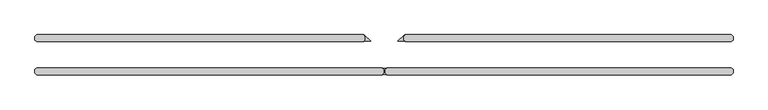
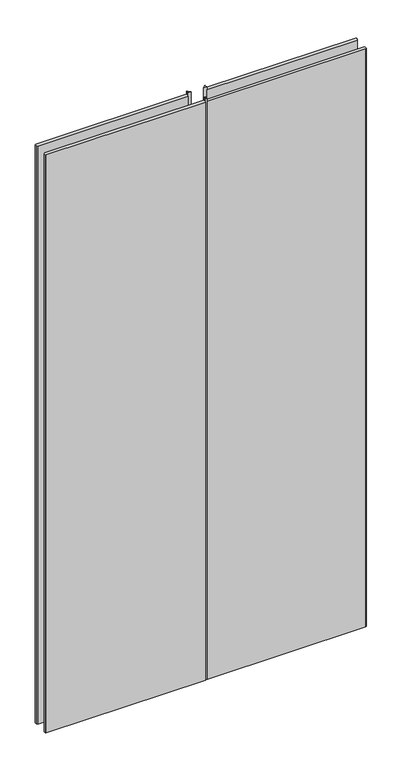
"""IFC4 building model written with IfcOpenShell, lengths in millimetres: plate geometry."""

from ifc_helpers import new_model, si_unit, frame, origin, place, context, project, spatial, polyline, outline, extrude, source, transform, mapped, element, save


def plate_1cb64498(model_context):
    return source(origin(), model_context, "Body", "SweptSolid", [
        extrude(outline(polyline([(35.253782, 26.9875), (37.635032, 24.60625), (25.4, 24.60625), (37.1160051, 36.3222551), (37.6772711, 35.7609891), (35.253782, 33.3375), (35.253782, 26.9875)])), frame((0.0, 0.0, 6.35), z_axis=(0.0, 0.0, 1.0), x_axis=(1.0, 0.0, 0.0)), (0.0, 0.0, 1.0), 2422.4289267),
        extrude(outline(polyline([(-631.03125, 23.8125), (-634.20625, 26.9875), (-634.20625, 33.3375), (-631.03125, 36.5125), (-36.841282, 36.5125), (-33.666282, 33.3375), (-33.666282, 26.9875), (-36.841282, 23.8125), (-631.03125, 23.8125)])), frame((0.0, 0.0, 6.35), z_axis=(0.0, 0.0, 1.0), x_axis=(1.0, 0.0, 0.0)), (0.0, 0.0, 1.0), 2409.7289267),
        extrude(outline(polyline([(-33.666282, 26.9875), (-33.666282, 33.3375), (-36.0897711, 35.7609891), (-35.5285051, 36.3222551), (-23.8125, 24.60625), (-36.047532, 24.60625), (-33.666282, 26.9875)])), frame((0.0, 0.0, 6.35), z_axis=(0.0, 0.0, 1.0), x_axis=(1.0, 0.0, 0.0)), (0.0, 0.0, 1.0), 2422.4289267),
        extrude(outline(polyline([(-631.03125, -36.5125), (-634.20625, -33.3375), (-634.20625, -26.9875), (-631.03125, -23.8125), (-3.175, -23.8125), (0.0, -26.9875), (0.0, -33.3375), (-3.175, -36.5125), (-631.03125, -36.5125)])), frame((0.0, 0.0, 6.35), z_axis=(0.0, 0.0, 1.0), x_axis=(1.0, 0.0, 0.0)), (0.0, 0.0, 1.0), 2409.7289267),
        extrude(outline(polyline([(-2.38125, -24.60625), (3.96875, -24.60625), (1.5875, -26.9875), (1.5875, -33.3375), (3.96875, -35.71875), (-2.38125, -35.71875), (0.0, -33.3375), (0.0, -26.9875), (-2.38125, -24.60625)])), frame((0.0, 0.0, 6.35), z_axis=(0.0, 0.0, 1.0), x_axis=(1.0, 0.0, 0.0)), (0.0, 0.0, 1.0), 2422.4289267),
        extrude(outline(polyline([(631.03125, 23.8125), (38.428782, 23.8125), (35.253782, 26.9875), (35.253782, 33.3375), (38.428782, 36.5125), (631.03125, 36.5125), (634.20625, 33.3375), (634.20625, 26.9875), (631.03125, 23.8125)])), frame((0.0, 0.0, 6.35), z_axis=(0.0, 0.0, 1.0), x_axis=(1.0, 0.0, 0.0)), (0.0, 0.0, 1.0), 2409.7289267),
        extrude(outline(polyline([(631.03125, -36.5125), (4.7625, -36.5125), (1.5875, -33.3375), (1.5875, -26.9875), (4.7625, -23.8125), (631.03125, -23.8125), (634.20625, -26.9875), (634.20625, -33.3375), (631.03125, -36.5125)])), frame((0.0, 0.0, 6.35), z_axis=(0.0, 0.0, 1.0), x_axis=(1.0, 0.0, 0.0)), (0.0, 0.0, 1.0), 2409.7289267),
    ])


if __name__ == "__main__":
    model = new_model("IFC4")
    model_context = context("Model", 3, world=origin())
    ifc_project = project(units=[si_unit("LENGTHUNIT", "METRE", prefix="MILLI")], contexts=[model_context])
    site = spatial("IfcSite", under=ifc_project)
    building = spatial("IfcBuilding", under=site)
    placement = place(None, origin())
    plate_shape = plate_1cb64498(model_context)
    element("IfcPlate", 1, at=placement, inside=building, context=model_context, shape_type="MappedRepresentation", body=[
        mapped(plate_shape, transform((0.0, 0.0, 0.0), x_axis=(1.0, 0.0, 0.0), y_axis=(0.0, 1.0, 0.0), z_axis=(0.0, 0.0, 1.0))),
    ])
    save(model, "model.ifc")
